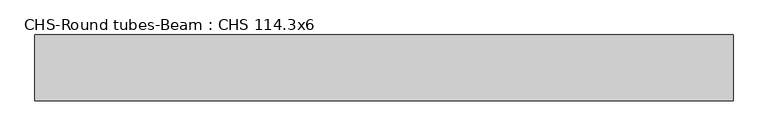
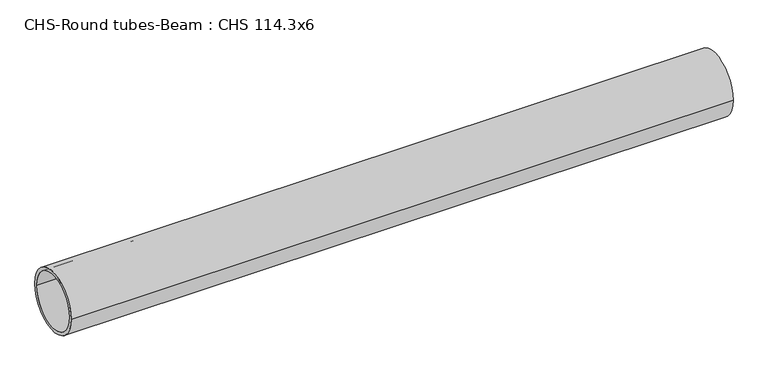
"""IFC4 building model written with IfcOpenShell, lengths in millimetres: beam geometry, CHS-Round tubes-Beam : CHS 114.3x6."""

from ifc_helpers import new_model, si_unit, point, frame, origin, origin_2d, place, context, project, spatial, circle_curve, trimmed, segment, composite_curve, outline, extrude, source, transform, mapped, element, save


def chs_round_tubes_beam_chs_114_3x6_b40c9486(model_context):
    return source(origin(), model_context, "Body", "SweptSolid", [
        extrude(outline(composite_curve([segment(trimmed(circle_curve(origin_2d(), 57.15), [point((57.15, 0.0))], [point((-57.15, 0.0))], False, "CARTESIAN"), True, "CONTINUOUS"), segment(trimmed(circle_curve(origin_2d(), 57.15), [point((-57.15, 0.0))], [point((57.15, 0.0))], False, "CARTESIAN"), True, "CONTINUOUS")], self_intersect=False), holes=[composite_curve([segment(trimmed(circle_curve(origin_2d(), 51.15), [point((51.15, 0.0))], [point((-51.15, 0.0))], True, "CARTESIAN"), True, "CONTINUOUS"), segment(trimmed(circle_curve(origin_2d(), 51.15), [point((-51.15, 0.0))], [point((51.15, 0.0))], True, "CARTESIAN"), True, "CONTINUOUS")], self_intersect=False)]), frame((-489.0924799, 0.0, 0.0), z_axis=(1.0, 0.0, 0.0), x_axis=(0.0, 1.0, 0.0)), (0.0, 0.0, 1.0), 1208.097652),
    ])


if __name__ == "__main__":
    model = new_model("IFC4")
    model_context = context("Model", 3, world=origin())
    ifc_project = project(units=[si_unit("LENGTHUNIT", "METRE", prefix="MILLI")], contexts=[model_context])
    site = spatial("IfcSite", under=ifc_project)
    building = spatial("IfcBuilding", under=site)
    placement = place(None, origin())
    chs_round_tubes_beam_chs_114_3x6_shape = chs_round_tubes_beam_chs_114_3x6_b40c9486(model_context)
    element("IfcBeam", 1, ObjectType="CHS-Round tubes-Beam : CHS 114.3x6", at=placement, inside=building, context=model_context, shape_type="MappedRepresentation", body=[
        mapped(chs_round_tubes_beam_chs_114_3x6_shape, transform((0.0, 0.0, 0.0), x_axis=(1.0, 0.0, 0.0), y_axis=(0.0, 1.0, 0.0), z_axis=(0.0, 0.0, 1.0))),
    ])
    save(model, "model.ifc")
